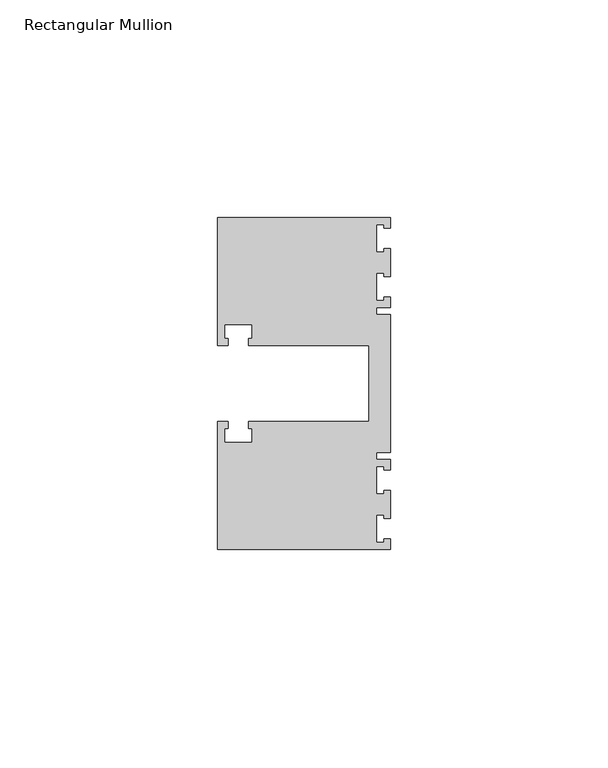
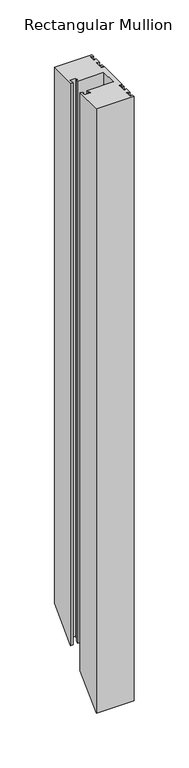
"""IFC4 building model written with IfcOpenShell, lengths in millimetres: member geometry, Rectangular Mullion."""

from ifc_helpers import new_model, si_unit, origin, place, context, project, spatial, faceted_brep, source, transform, mapped, element, save


def rectangular_mullion_9fe500f4(model_context):
    return source(origin(), model_context, "Body", "Brep", [
        faceted_brep([(0.0, -38.1, 0.0), (0.0, -35.71875, 0.0), (-1.4999946, -35.71875, 0.0), (-1.4999946, -36.5125, 0.0), (-3.175, -36.5125, 0.0), (-3.175, -30.1625, 0.0), (-1.4999946, -30.1625, 0.0), (-1.4999946, -30.95625, 0.0), (0.0, -30.95625, 0.0), (0.0, -24.60625, 0.0), (-1.4999946, -24.60625, 0.0), (-1.4999946, -25.4, 0.0), (-3.175, -25.4, 0.0), (-3.175, -19.05, 0.0), (-1.4999946, -19.05, 0.0), (-1.4999946, -19.84375, 0.0), (0.0, -19.84375, 0.0), (0.0, -17.4625, 0.0), (-3.175, -17.4625, 0.0), (-3.175, -15.875, 0.0), (0.0, -15.875, 0.0), (0.0, 15.875, 0.0), (-3.175, 15.875, 0.0), (-3.175, 17.4625, 0.0), (0.0, 17.4625, 0.0), (0.0, 19.84375, 0.0), (-1.4999946, 19.84375, 0.0), (-1.4999946, 19.05, 0.0), (-3.175, 19.05, 0.0), (-3.175, 25.4, 0.0), (-1.4999946, 25.4, 0.0), (-1.4999946, 24.60625, 0.0), (0.0, 24.60625, 0.0), (0.0, 30.95625, 0.0), (-1.4999946, 30.95625, 0.0), (-1.4999946, 30.1625, 0.0), (-3.175, 30.1625, 0.0), (-3.175, 36.5125, 0.0), (-1.4999946, 36.5125, 0.0), (-1.4999946, 35.71875, 0.0), (0.0, 35.71875, 0.0), (0.0, 38.1, 0.0), (-39.6875, 38.1, 0.0), (-39.6875, 8.73125, 0.0), (-37.30625, 8.73125, 0.0), (-37.30625, 10.31875, 0.0), (-38.1, 10.31875, 0.0), (-38.1, 13.49375, 0.0), (-31.75, 13.49375, 0.0), (-31.75, 10.31875, 0.0), (-32.54375, 10.31875, 0.0), (-32.54375, 8.73125, 0.0), (-4.8585733, 8.73125, 0.0), (-4.8585733, -8.73125, 0.0), (-32.54375, -8.73125, 0.0), (-32.54375, -10.31875, 0.0), (-31.75, -10.31875, 0.0), (-31.75, -13.49375, 0.0), (-38.1, -13.49375, 0.0), (-38.1, -10.31875, 0.0), (-37.30625, -10.31875, 0.0), (-37.30625, -8.73125, 0.0), (-39.6875, -8.73125, 0.0), (-39.6875, -38.1, 0.0), (0.0, -38.1, -673.1), (0.0, -35.71875, -670.71875), (-1.4999946, -35.71875, -670.71875), (-1.4999946, -36.5125, -671.5125), (-3.175, -36.5125, -671.5125), (-3.175, -30.1625, -665.1625), (-1.4999946, -30.1625, -665.1625), (-1.4999946, -30.95625, -665.95625), (0.0, -30.95625, -665.95625), (0.0, -24.60625, -659.60625), (-1.4999946, -24.60625, -659.60625), (-1.4999946, -25.4, -660.4), (-3.175, -25.4, -660.4), (-3.175, -19.05, -654.05), (-1.4999946, -19.05, -654.05), (-1.4999946, -19.84375, -654.84375), (0.0, -19.84375, -654.84375), (0.0, -17.4625, -652.4625), (-3.175, -17.4625, -652.4625), (-3.175, -15.875, -650.875), (0.0, -15.875, -650.875), (0.0, 15.875, -619.125), (-3.175, 15.875, -619.125), (-3.175, 17.4625, -617.5375), (0.0, 17.4625, -617.5375), (0.0, 19.84375, -615.15625), (-1.4999946, 19.84375, -615.15625), (-1.4999946, 19.05, -615.95), (-3.175, 19.05, -615.95), (-3.175, 25.4, -609.6), (-1.4999946, 25.4, -609.6), (-1.4999946, 24.60625, -610.39375), (0.0, 24.60625, -610.39375), (0.0, 30.95625, -604.04375), (-1.4999946, 30.95625, -604.04375), (-1.4999946, 30.1625, -604.8375), (-3.175, 30.1625, -604.8375), (-3.175, 36.5125, -598.4875), (-1.4999946, 36.5125, -598.4875), (-1.4999946, 35.71875, -599.28125), (0.0, 35.71875, -599.28125), (0.0, 38.1, -596.9), (-39.6875, 38.1, -596.9), (-39.6875, 8.73125, -626.26875), (-37.30625, 8.73125, -626.26875), (-37.30625, 10.31875, -624.68125), (-38.1, 10.31875, -624.68125), (-38.1, 13.49375, -621.50625), (-31.75, 13.49375, -621.50625), (-31.75, 10.31875, -624.68125), (-32.54375, 10.31875, -624.68125), (-32.54375, 8.73125, -626.26875), (-4.8585733, 8.73125, -626.26875), (-4.8585733, -8.73125, -643.73125), (-32.54375, -8.73125, -643.73125), (-32.54375, -10.31875, -645.31875), (-31.75, -10.31875, -645.31875), (-31.75, -13.49375, -648.49375), (-38.1, -13.49375, -648.49375), (-38.1, -10.31875, -645.31875), (-37.30625, -10.31875, -645.31875), (-37.30625, -8.73125, -643.73125), (-39.6875, -8.73125, -643.73125), (-39.6875, -38.1, -673.1)], [[[0, 1, 2, 3, 4, 5, 6, 7, 8, 9, 10, 11, 12, 13, 14, 15, 16, 17, 18, 19, 20, 21, 22, 23, 24, 25, 26, 27, 28, 29, 30, 31, 32, 33, 34, 35, 36, 37, 38, 39, 40, 41, 42, 43, 44, 45, 46, 47, 48, 49, 50, 51, 52, 53, 54, 55, 56, 57, 58, 59, 60, 61, 62, 63]], [[1, 0, 64, 65]], [[2, 1, 65, 66]], [[3, 2, 66, 67]], [[4, 3, 67, 68]], [[5, 4, 68, 69]], [[6, 5, 69, 70]], [[7, 6, 70, 71]], [[8, 7, 71, 72]], [[9, 8, 72, 73]], [[10, 9, 73, 74]], [[11, 10, 74, 75]], [[12, 11, 75, 76]], [[13, 12, 76, 77]], [[14, 13, 77, 78]], [[15, 14, 78, 79]], [[16, 15, 79, 80]], [[17, 16, 80, 81]], [[18, 17, 81, 82]], [[19, 18, 82, 83]], [[20, 19, 83, 84]], [[21, 20, 84, 85]], [[22, 21, 85, 86]], [[23, 22, 86, 87]], [[24, 23, 87, 88]], [[25, 24, 88, 89]], [[26, 25, 89, 90]], [[27, 26, 90, 91]], [[28, 27, 91, 92]], [[29, 28, 92, 93]], [[30, 29, 93, 94]], [[31, 30, 94, 95]], [[32, 31, 95, 96]], [[33, 32, 96, 97]], [[34, 33, 97, 98]], [[35, 34, 98, 99]], [[36, 35, 99, 100]], [[37, 36, 100, 101]], [[38, 37, 101, 102]], [[39, 38, 102, 103]], [[40, 39, 103, 104]], [[41, 40, 104, 105]], [[42, 41, 105, 106]], [[43, 42, 106, 107]], [[44, 43, 107, 108]], [[45, 44, 108, 109]], [[46, 45, 109, 110]], [[47, 46, 110, 111]], [[48, 47, 111, 112]], [[49, 48, 112, 113]], [[50, 49, 113, 114]], [[51, 50, 114, 115]], [[52, 51, 115, 116]], [[53, 52, 116, 117]], [[54, 53, 117, 118]], [[55, 54, 118, 119]], [[56, 55, 119, 120]], [[57, 56, 120, 121]], [[58, 57, 121, 122]], [[59, 58, 122, 123]], [[60, 59, 123, 124]], [[61, 60, 124, 125]], [[62, 61, 125, 126]], [[63, 62, 126, 127]], [[0, 63, 127, 64]], [[64, 127, 126, 125, 124, 123, 122, 121, 120, 119, 118, 117, 116, 115, 114, 113, 112, 111, 110, 109, 108, 107, 106, 105, 104, 103, 102, 101, 100, 99, 98, 97, 96, 95, 94, 93, 92, 91, 90, 89, 88, 87, 86, 85, 84, 83, 82, 81, 80, 79, 78, 77, 76, 75, 74, 73, 72, 71, 70, 69, 68, 67, 66, 65]]]),
    ])


if __name__ == "__main__":
    model = new_model("IFC4")
    model_context = context("Model", 3, world=origin())
    ifc_project = project(units=[si_unit("LENGTHUNIT", "METRE", prefix="MILLI")], contexts=[model_context])
    site = spatial("IfcSite", under=ifc_project)
    building = spatial("IfcBuilding", under=site)
    placement = place(None, origin())
    rectangular_mullion_shape = rectangular_mullion_9fe500f4(model_context)
    element("IfcMember", 1, ObjectType="Rectangular Mullion", at=placement, inside=building, context=model_context, shape_type="MappedRepresentation", body=[
        mapped(rectangular_mullion_shape, transform((0.0, 0.0, 0.0), x_axis=(1.0, 0.0, 0.0), y_axis=(0.0, 1.0, 0.0), z_axis=(0.0, 0.0, 1.0))),
    ])
    save(model, "model.ifc")
